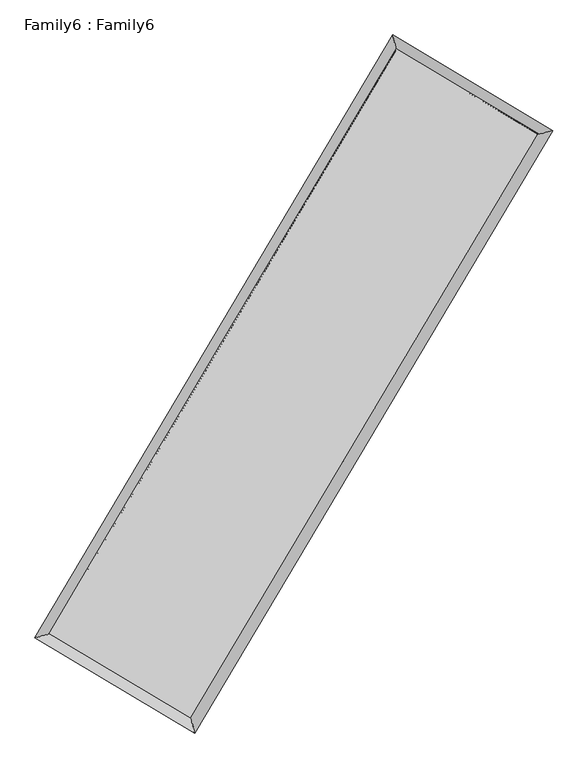
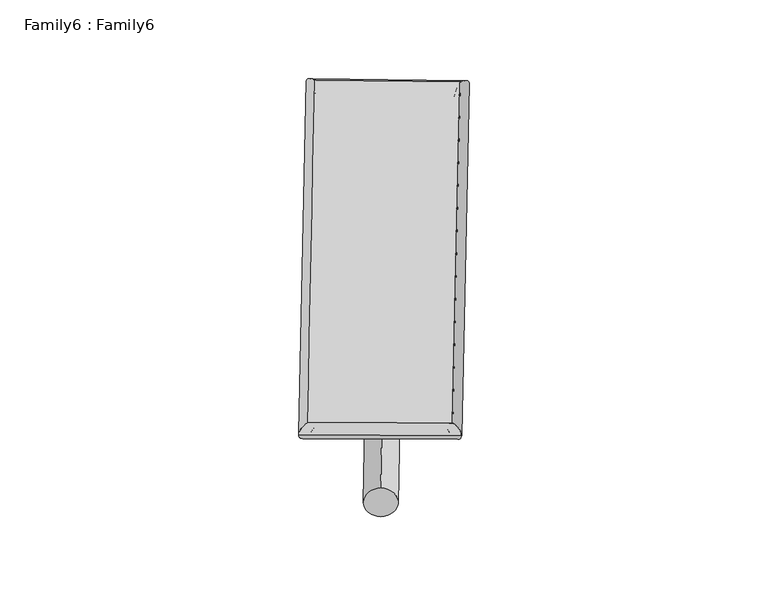
"""IFC4 building model written with IfcOpenShell, lengths in millimetres: plate geometry, Family6 : Family6."""

from ifc_helpers import new_model, si_unit, point, frame, origin, origin_2d, place, context, project, spatial, circle_curve, ellipse_curve, trimmed, segment, composite_curve, outline, extrude, source, transform, mapped, element, save
from ifc_brep_helpers import plane_surface, cylinder_surface, spline_surface, advanced_brep


def family6_family6_7e5beb8e(model_context):
    return source(origin(), model_context, "Body", "SolidModel", [
        extrude(outline(composite_curve([segment(trimmed(circle_curve(origin_2d(), 76.2), [point((-75.4341514, -10.7763073))], [point((75.4341514, 10.7763073))], False, "CARTESIAN"), True, "CONTINUOUS"), segment(trimmed(circle_curve(origin_2d(), 76.2), [point((75.4341514, 10.7763073))], [point((-75.4341514, -10.7763073))], False, "CARTESIAN"), True, "CONTINUOUS")], self_intersect=False)), frame((9144.0, 9144.0, 0.0), z_axis=(0.6738904042232557, 0.6867227449528086, 0.2725501690703876), x_axis=(-0.6787417839762933, 0.7211426282408133, -0.13879085135055258)), (0.0, 0.0, 1.0), 5564.9641451),
        extrude(outline(composite_curve([segment(trimmed(circle_curve(origin_2d(), 76.2), [point((-53.8815367, 53.8815367))], [point((53.8815367, -53.8815367))], False, "CARTESIAN"), True, "CONTINUOUS"), segment(trimmed(circle_curve(origin_2d(), 76.2), [point((53.8815367, -53.8815367))], [point((-53.8815367, 53.8815367))], False, "CARTESIAN"), True, "CONTINUOUS")], self_intersect=False)), frame((9144.0, 9144.0, 0.0), z_axis=(-0.673422841274816, -0.687183135796877, 0.2725454360757581), x_axis=(0.6410506316748346, -0.3592123986555173, 0.6782481406398733)), (0.0, 0.0, 1.0), 5564.970016),
        extrude(outline(composite_curve([segment(trimmed(circle_curve(origin_2d(), 76.2), [point((-53.8815368, -53.8815367))], [point((53.8815368, 53.8815367))], False, "CARTESIAN"), True, "CONTINUOUS"), segment(trimmed(circle_curve(origin_2d(), 76.2), [point((53.8815368, 53.8815367))], [point((-53.8815368, -53.8815367))], False, "CARTESIAN"), True, "CONTINUOUS")], self_intersect=False)), frame((9144.0, 9144.0, 0.0), z_axis=(0.280576447150302, 0.9198677449690997, 0.2740806251269451), x_axis=(-0.838752156669863, 0.3738059254007295, -0.39593427461759106)), (0.0, 0.0, 1.0), 5575.0697884),
        extrude(outline(composite_curve([segment(trimmed(circle_curve(origin_2d(), 76.2), [point((-75.4341514, 10.7763074))], [point((75.4341514, -10.7763074))], False, "CARTESIAN"), True, "CONTINUOUS"), segment(trimmed(circle_curve(origin_2d(), 76.2), [point((75.4341514, -10.7763074))], [point((-75.4341514, 10.7763074))], False, "CARTESIAN"), True, "CONTINUOUS")], self_intersect=False)), frame((9144.0, 9144.0, 0.0), z_axis=(-0.28111782550748193, -0.9196709109947768, 0.2741864031128862), x_axis=(0.8763996396487299, -0.1296112817141061, 0.4638152512326468)), (0.0, 0.0, 1.0), 5572.7867598),
        advanced_brep(
        [(5187.780245, 5266.858948, 1517.6080433), (5605.0682183, 5372.8400455, 1517.8496999), (5605.0639155, 5372.8339596, 1515.8063162), (10761.2742457, 14063.0660374, 1526.7863992), (10655.192302, 14481.5877112, 1529.2508263), (5187.7759422, 5266.8528622, 1515.5646596), (12685.5099069, 12912.7730147, 1516.8509788), (13102.8419676, 13018.4018919, 1516.6128584), (7524.3637287, 4227.9549426, 1527.7720806), (7630.4168795, 3809.785305, 1528.1926334)],
        [
            (0, 1, ellipse_curve(frame((5396.4220802, 5319.8464538, 1516.7071797), z_axis=(-0.24615884855573766, 0.9692266052783994, -0.0023683112598006056), x_axis=(-0.9692196246250901, -0.24616663558763693, -0.003912386108611449)), 215.2740737, 152.4)),
            (1, 2, ellipse_curve(frame((5396.4220802, 5319.8464538, 1516.7071797), z_axis=(-0.24615884855573766, 0.9692266052783994, -0.0023683112598006056), x_axis=(-0.9692196246250901, -0.24616663558763693, -0.003912386108611449)), 215.2740737, 152.4)),
            (2, 3),
            (3, 4, ellipse_curve(frame((10708.2332738, 14272.3268743, 1528.0186127), z_axis=(-0.9693402598023857, -0.24571090172678828, 0.0023692823495357874), x_axis=(0.24570077984733368, -0.9693378928378412, -0.0038956759498059036)), 215.8821784, 152.4)),
            (4, 0),
            (2, 5, ellipse_curve(frame((5396.4220802, 5319.8464538, 1516.7071797), z_axis=(-0.24615884855573766, 0.9692266052783994, -0.0023683112598006056), x_axis=(-0.9692196246250901, -0.24616663558763693, -0.003912386108611449)), 215.2740737, 152.4)),
            (5, 0, ellipse_curve(frame((5396.4220802, 5319.8464538, 1516.7071797), z_axis=(-0.24615884855573766, 0.9692266052783994, -0.0023683112598006056), x_axis=(-0.9692196246250901, -0.24616663558763693, -0.003912386108611449)), 215.2740737, 152.4)),
            (4, 3, ellipse_curve(frame((10708.2332738, 14272.3268743, 1528.0186127), z_axis=(-0.9693402598023857, -0.24571090172678828, 0.0023692823495357874), x_axis=(0.24570077984733368, -0.9693378928378412, -0.0038956759498059036)), 215.8821784, 152.4)),
            (3, 6),
            (6, 7, ellipse_curve(frame((12894.1759372, 12965.5874533, 1516.7319186), z_axis=(-0.2453657523182809, 0.9694276911298187, 0.0023662755530225858), x_axis=(-0.9694207543236941, -0.24537352387383732, 0.0039031869306245573)), 215.2473196, 152.4)),
            (7, 4),
            (7, 6, ellipse_curve(frame((12894.1759372, 12965.5874533, 1516.7319186), z_axis=(-0.2453657523182809, 0.9694276911298187, 0.0023662755530225858), x_axis=(-0.9694207543236941, -0.24537352387383732, 0.0039031869306245573)), 215.2473196, 152.4)),
            (6, 8),
            (8, 9, ellipse_curve(frame((7577.3903041, 4018.8701238, 1527.982357), z_axis=(0.9693096209694558, 0.2458316669129048, 0.002377023111433164), x_axis=(-0.24582150396319496, 0.9693072647599997, -0.0039005990258445832)), 215.7051761, 152.4)),
            (9, 7),
            (9, 8, ellipse_curve(frame((7577.3903041, 4018.8701238, 1527.982357), z_axis=(0.9693096209694558, 0.2458316669129048, 0.002377023111433164), x_axis=(-0.24582150396319496, 0.9693072647599997, -0.0039005990258445832)), 215.7051761, 152.4)),
            (8, 1),
            (5, 9),
        ],
        [
            cylinder_surface(frame((5396.4220802, 5319.8464538, 1516.7071797), z_axis=(-0.5102739276995201, -0.8600112429284726, -0.001086621704681691), x_axis=(-0.8599945877186098, 0.5102552072004224, 0.006995185455206416)), 152.4),
            cylinder_surface(frame((10708.2332738, 14272.3268743, 1528.0186127), z_axis=(-0.8583194102340236, 0.5130966277968556, 0.004431767030554425), x_axis=(0.5131121117941887, 0.8583138810175659, 0.0036390084737115513)), 152.4),
            cylinder_surface(frame((12894.1759372, 12965.5874533, 1516.7319186), z_axis=(0.5108703389374484, 0.8596570991997196, -0.001081013163881922), x_axis=(0.85965772758947, -0.5108703389374483, 0.0002969674149421698)), 152.4),
            cylinder_surface(frame((7577.3903041, 4018.8701238, 1527.982357), z_axis=(0.8588027392040232, -0.5122871684355048, 0.0044398414385810265), x_axis=(-0.5122781114244611, -0.8588141402844659, -0.0030674097935270415)), 152.4),
        ],
        [
            (0, [[1, 2, 3, 4, 5]]),
            (0, [[6, 7, -5, 8, -3]]),
            (1, [[-4, 9, 10, 11]]),
            (1, [[-8, -11, 12, -9]]),
            (2, [[-10, 13, 14, 15]]),
            (2, [[-12, -15, 16, -13]]),
            (3, [[-14, 17, -1, -7, 18]]),
            (3, [[-16, -18, -6, -2, -17]]),
        ],
    ),
        extrude(outline(composite_curve([segment(trimmed(circle_curve(origin_2d(), 304.8), [point((0.0, 304.8))], [point((0.0, -304.8))], False, "CARTESIAN"), True, "CONTINUOUS"), segment(trimmed(circle_curve(origin_2d(), 304.8), [point((0.0, -304.8))], [point((0.0, 304.8))], False, "CARTESIAN"), True, "CONTINUOUS")], self_intersect=False)), frame((11806.066991, 13640.19824, -0.000119), z_axis=(-0.5094699503997133, -0.8604884482895243, 2.277030504182473e-08), x_axis=(-0.8604884482895245, 0.5094699503997133, -6.2353443747044974e-09)), (0.0, 0.0, 1.0), 10450.3395692),
        advanced_brep(
        [(5396.4220802, 5319.8464538, 1516.7071797), (7577.3903041, 4018.8701238, 1527.982357), (7577.3911872, 4018.869058, 1680.382357), (5396.4229634, 5319.845388, 1669.1071797), (12894.1759372, 12965.5874533, 1516.7319186), (12894.1768204, 12965.5863874, 1669.1319186), (10708.2332738, 14272.3268743, 1528.0186127), (10708.234157, 14272.3258084, 1680.4186127)],
        [
            (0, 1),
            (1, 2),
            (2, 3),
            (3, 0),
            (1, 4),
            (4, 5),
            (5, 2),
            (4, 6),
            (6, 7),
            (7, 5),
            (6, 0),
            (3, 7),
        ],
        [
            plane_surface(frame((6486.9061922, 4669.3582888, 1522.3447684), z_axis=(-0.5122922060763071, -0.8588112106768535, -3.0377456412013486e-06), x_axis=(0.8588027392040228, -0.512287168435505, 0.004439841438581028))),
            plane_surface(frame((10235.7831207, 8492.2287886, 1522.3571378), z_axis=(0.8596575967375601, -0.510870645367518, -8.554437594089951e-06), x_axis=(0.5108703389374483, 0.8596570991997196, -0.0010810131638819185))),
            plane_surface(frame((11801.2046055, 13618.9571638, 1522.3752657), z_axis=(0.513101678145743, 0.8583278324013757, 3.0296742989858842e-06), x_axis=(-0.8583194102340233, 0.5130966277968563, 0.004431767030554428))),
            plane_surface(frame((8052.327677, 9796.0866641, 1522.3628962), z_axis=(-0.8600117553672514, 0.5102742209410516, 8.552318576427766e-06), x_axis=(-0.5102739276995206, -0.8600112429284722, -0.001086621704681686))),
            spline_surface(1, 1, [[(7577.3911872, 4018.869058, 1680.382357), (5396.4229634, 5319.845388, 1669.1071797)], [(12894.1768204, 12965.5863874, 1669.1319186), (10708.234157, 14272.3258084, 1680.4186127)]], [2, 2], [2, 2], [0.0, 1.0], [0.0, 1.0]),
            spline_surface(1, 1, [[(10708.2332738, 14272.3268743, 1528.0186127), (5396.4220802, 5319.8464538, 1516.7071797)], [(12894.1759372, 12965.5874533, 1516.7319186), (7577.3903041, 4018.8701238, 1527.982357)]], [2, 2], [2, 2], [0.0, 1.0], [0.0, 1.0]),
        ],
        [
            (0, [[1, 2, 3, 4]]),
            (1, [[5, 6, 7, -2]]),
            (2, [[8, 9, 10, -6]]),
            (3, [[11, -4, 12, -9]]),
            (4, [[-3, -7, -10, -12]]),
            (5, [[-11, -8, -5, -1]]),
        ],
    ),
    ])


if __name__ == "__main__":
    model = new_model("IFC4")
    model_context = context("Model", 3, world=origin())
    ifc_project = project(units=[si_unit("LENGTHUNIT", "METRE", prefix="MILLI")], contexts=[model_context])
    site = spatial("IfcSite", under=ifc_project)
    building = spatial("IfcBuilding", under=site)
    placement = place(None, origin())
    family6_family6_shape = family6_family6_7e5beb8e(model_context)
    element("IfcPlate", 1, ObjectType="Family6 : Family6", at=placement, inside=building, context=model_context, shape_type="MappedRepresentation", body=[
        mapped(family6_family6_shape, transform((0.0, 0.0, 0.0), x_axis=(1.0, 0.0, 0.0), y_axis=(0.0, 1.0, 0.0), z_axis=(0.0, 0.0, 1.0))),
    ])
    save(model, "model.ifc")
